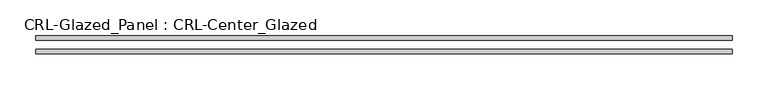
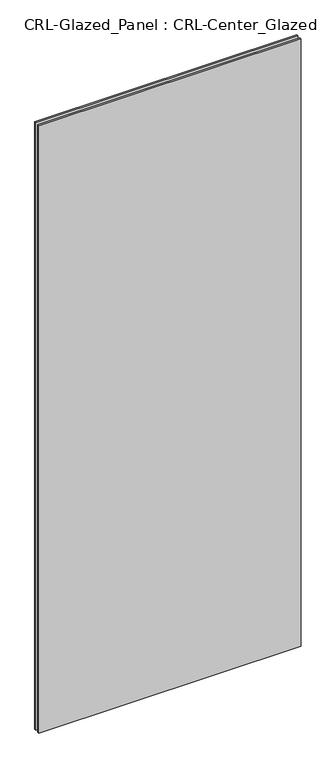
"""IFC4 building model written with IfcOpenShell, lengths in millimetres: plate geometry, CRL-Glazed_Panel : CRL-Center_Glazed."""

from ifc_helpers import new_model, si_unit, origin, origin_with_axes, place, context, project, spatial, polyline, outline, extrude, source, transform, mapped, element, save


def crl_glazed_panel_crl_center_glazed_9ed7a633(model_context):
    return source(origin(), model_context, "Body", "SweptSolid", [
        extrude(outline(polyline([(489.8223799, -12.7), (-489.8223799, -12.7), (-489.8223799, -6.35), (489.8223799, -6.35), (489.8223799, -12.7)])), origin_with_axes(), (0.0, 0.0, 1.0), 2396.6435008),
        extrude(outline(polyline([(-489.8223799, 6.35), (-489.8223799, 12.7), (489.8223799, 12.7), (489.8223799, 6.35), (-489.8223799, 6.35)])), origin_with_axes(), (0.0, 0.0, 1.0), 2396.6435008),
    ])


if __name__ == "__main__":
    model = new_model("IFC4")
    model_context = context("Model", 3, world=origin())
    ifc_project = project(units=[si_unit("LENGTHUNIT", "METRE", prefix="MILLI")], contexts=[model_context])
    site = spatial("IfcSite", under=ifc_project)
    building = spatial("IfcBuilding", under=site)
    placement = place(None, origin())
    crl_glazed_panel_crl_center_glazed_shape = crl_glazed_panel_crl_center_glazed_9ed7a633(model_context)
    element("IfcPlate", 1, ObjectType="CRL-Glazed_Panel : CRL-Center_Glazed", at=placement, inside=building, context=model_context, shape_type="MappedRepresentation", body=[
        mapped(crl_glazed_panel_crl_center_glazed_shape, transform((0.0, 0.0, 0.0), x_axis=(1.0, 0.0, 0.0), y_axis=(0.0, 1.0, 0.0), z_axis=(0.0, 0.0, 1.0))),
    ])
    save(model, "model.ifc")
